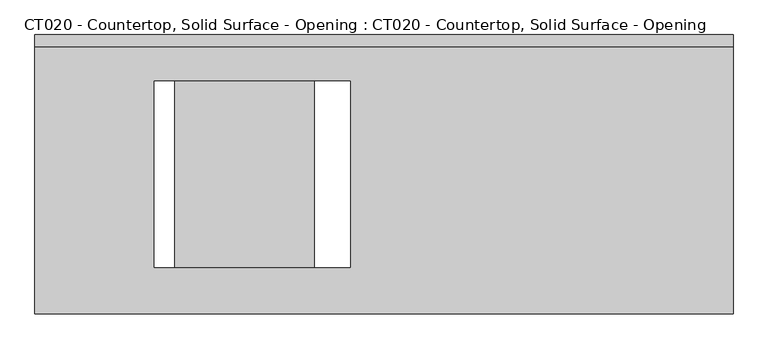
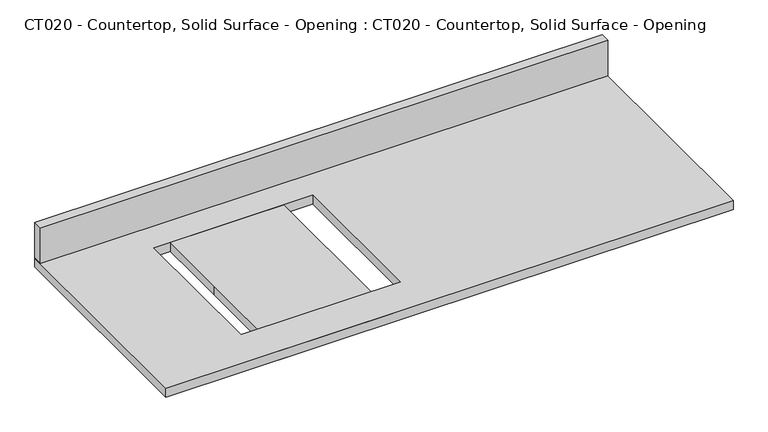
"""IFC4 building model written with IfcOpenShell, lengths in millimetres: proxy geometry, CT020 - Countertop, Solid Surface - Opening : CT020 - Countertop, Solid Surface - Opening."""

from ifc_helpers import new_model, si_unit, frame, origin, origin_with_axes, place, context, project, spatial, polyline, outline, extrude, source, transform, mapped, element, save


def ct020_countertop_solid_surface_opening_ct020_countertop_3d6740ce(model_context):
    return source(origin(), model_context, "Body", "SweptSolid", [
        extrude(outline(polyline([(1066.8, 304.8), (1066.8, -304.8), (-457.2, -304.8), (-457.2, 304.8), (1066.8, 304.8)]), holes=[polyline([(230.9825513, 203.2), (-196.5490426, 203.2), (-196.5490426, -203.2), (230.9825513, -203.2), (230.9825513, 203.2)])]), origin_with_axes(), (0.0, 0.0, 1.0), 25.4),
        extrude(outline(polyline([(-457.2, 279.4), (-457.2, 304.8), (1066.8, 304.8), (1066.8, 279.4), (-457.2, 279.4)])), frame((0.0, 0.0, 25.4), z_axis=(0.0, 0.0, 1.0), x_axis=(1.0, 0.0, 0.0)), (0.0, 0.0, 1.0), 101.6),
        extrude(outline(polyline([(-152.4, 304.8), (152.4, 304.8), (152.4, -304.8), (-152.4, -304.8), (-152.4, 0.0), (-152.4, 304.8)])), origin_with_axes(), (0.0, 0.0, 1.0), 25.4),
    ])


if __name__ == "__main__":
    model = new_model("IFC4")
    model_context = context("Model", 3, world=origin())
    ifc_project = project(units=[si_unit("LENGTHUNIT", "METRE", prefix="MILLI")], contexts=[model_context])
    site = spatial("IfcSite", under=ifc_project)
    building = spatial("IfcBuilding", under=site)
    placement = place(None, origin())
    ct020_countertop_solid_surface_opening_ct020_countertop_shape = ct020_countertop_solid_surface_opening_ct020_countertop_3d6740ce(model_context)
    element("IfcBuildingElementProxy", 1, Name="CT020 - Countertop, Solid Surface - Opening : CT020 - Countertop, Solid Surface - Opening", ObjectType="CT020 - Countertop, Solid Surface - Opening : CT020 - Countertop, Solid Surface - Opening", at=placement, inside=building, context=model_context, shape_type="MappedRepresentation", body=[
        mapped(ct020_countertop_solid_surface_opening_ct020_countertop_shape, transform((0.0, 0.0, 0.0), x_axis=(1.0, 0.0, 0.0), y_axis=(0.0, 1.0, 0.0), z_axis=(0.0, 0.0, 1.0))),
    ])
    save(model, "model.ifc")
